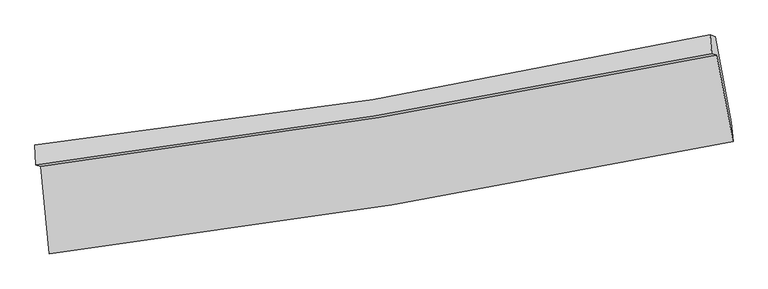
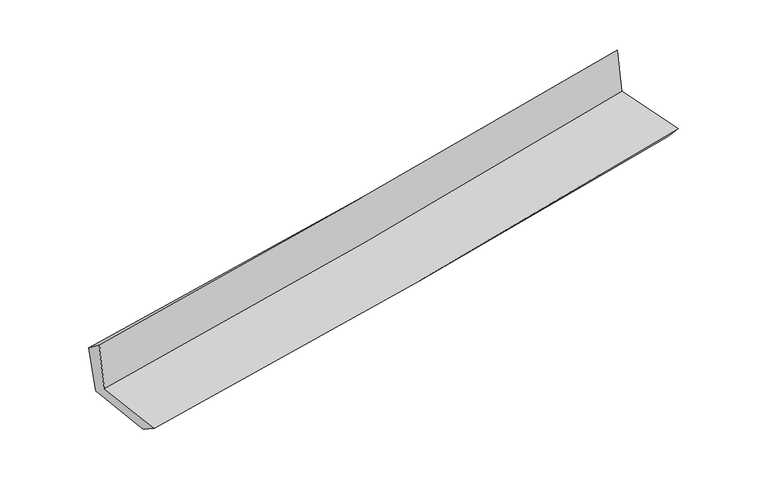
"""IFC4 building model written with IfcOpenShell, lengths in millimetres: proxy geometry."""

from ifc_helpers import new_model, si_unit, frame, origin, place, context, project, spatial, source, transform, mapped, element, save
from ifc_brep_helpers import plane_surface, spline_curve, spline_surface, advanced_brep


def generic_models_3a972e4e(model_context):
    return source(origin(), model_context, "Body", "AdvancedBrep", [
        advanced_brep(
        [(-2542.1460149, -1904.7364253, 1638.9833666), (-2477.0051776, -2555.495221, 1642.6781097), (2618.0196906, -1717.4848681, 2142.0976724), (2495.6700826, -1072.6365027, 2140.3506819), (-2580.6073399, -1894.522537, 2054.8534051), (2458.237716, -1063.7820927, 2532.0344526), (-2585.0594819, -1743.9306934, 1935.9923635), (2446.2292286, -922.0038012, 2368.4953589), (-2546.3224821, -1779.144202, 1545.0027277), (2484.2250694, -936.8610736, 1983.1327999), (-2483.5618608, -2400.0812575, 1541.8076258), (2605.7889014, -1577.5679755, 1984.8685705)],
        [
            (0, 1),
            (1, 2, spline_curve(3, [(-2477.0051776, -2555.495221, 1642.6781097), (-1623.809293979, -2453.110717863, 1735.023467106), (-773.267488094, -2332.218636788, 1822.758183066), (925.090325994, -2052.994758942, 1989.259498039), (1772.890142912, -1894.55005562, 2067.997969627), (2618.0196906, -1717.4848681, 2142.0976724)], [4, 2, 4], [0.0, 8.452507751205868, 16.930758767407532])),
            (2, 3),
            (3, 0, spline_curve(3, [(2495.6700826, -1072.6365027, 2140.3506819), (1659.269416876, -1244.240828958, 2068.289960344), (820.609311237, -1399.465218429, 1990.4066224), (-858.676421289, -1676.732538852, 1823.248878207), (-1699.288348147, -1798.874789818, 1734.009777475), (-2542.1460149, -1904.7364253, 1638.9833666)], [4, 2, 4], [0.0, 8.478251016201664, 16.930758767407532])),
            (4, 0),
            (3, 5),
            (5, 4, spline_curve(3, [(2458.237716, -1063.7820927, 2532.0344526), (1620.895494383, -1235.170819769, 2472.276038746), (781.67931901, -1390.173939174, 2402.556157928), (-897.947062505, -1666.98806559, 2243.435407009), (-1738.345905738, -1788.898427683, 2154.094938481), (-2580.6073399, -1894.522537, 2054.8534051)], [4, 2, 4], [0.0, 8.43018438990053, 16.83477146376289])),
            (6, 4),
            (5, 7),
            (7, 6, spline_curve(3, [(2446.2292286, -922.0038012, 2368.4953589), (1612.910344961, -1106.177920071, 2307.282350518), (776.334391777, -1266.827317223, 2240.570780439), (-900.781594734, -1540.660304571, 2096.369774185), (-1741.301878027, -1653.986538131, 2018.913679397), (-2585.0594819, -1743.9306934, 1935.9923635)], [4, 2, 4], [0.0, 8.419239163264908, 16.812914244453367])),
            (8, 6),
            (7, 9),
            (9, 8, spline_curve(3, [(2484.2250694, -936.8610736, 1983.1327999), (1652.464478916, -1131.085539229, 1919.085840047), (816.728438655, -1298.453984233, 1850.489098194), (-860.144850634, -1579.052184237, 1704.418153078), (-1701.257994229, -1692.444781546, 1626.971537201), (-2546.3224821, -1779.144202, 1545.0027277)], [4, 2, 4], [0.0, 8.412704700364104, 16.79986515982062])),
            (10, 8),
            (9, 11),
            (11, 10, spline_curve(3, [(2605.7889014, -1577.5679755, 1984.8685705), (1762.041921599, -1756.401026808, 1919.976706421), (915.406618846, -1914.432965265, 1850.545998459), (-781.061148767, -2188.477930416, 1702.831495247), (-1630.876100053, -2304.617086087, 1624.575221775), (-2483.5618608, -2400.0812575, 1541.8076258)], [4, 2, 4], [0.0, 8.459894310144206, 16.89410109338619])),
            (1, 10),
            (11, 2),
        ],
        [
            spline_surface(3, 3, [[(-2542.1460149, -1904.7364253, 1638.9833666), (-1699.288348241, -1798.874789949, 1734.009777601), (-858.676421396, -1676.732538739, 1823.24887819), (820.609311344, -1399.465218542, 1990.406622417), (1659.269417009, -1244.240828924, 2068.289960211), (2495.6700826, -1072.6365027, 2140.3506819)], [(-2520.432402479, -2121.656023837, 1640.214947657), (-1674.128663489, -2016.953432532, 1734.347674105), (-830.206776962, -1895.227904782, 1823.085313158), (855.436316228, -1617.308398681, 1990.024247643), (1697.142992299, -1461.010571136, 2068.192630007), (2536.453285286, -1287.585957834, 2140.933012059)], [(-2498.718790021, -2338.575622463, 1641.446528643), (-1648.968978701, -2235.032075204, 1734.685570538), (-801.737132529, -2113.723270777, 1822.921748084), (890.263321111, -1835.151578771, 1989.641872827), (1735.016567532, -1677.780313343, 2068.095299828), (2577.236487914, -1502.535412966, 2141.515342241)], [(-2477.0051776, -2555.495221, 1642.6781097), (-1623.809293948, -2453.110717788, 1735.023467042), (-773.267488095, -2332.218636821, 1822.758183051), (925.090325995, -2052.994758909, 1989.259498053), (1772.890142822, -1894.550055555, 2067.997969624), (2618.0196906, -1717.4848681, 2142.0976724)]], [4, 4], [4, 2, 4], [0.0, 2.1698168896550465], [0.0, 8.452507751205868, 16.930758767407532]),
            spline_surface(3, 3, [[(-2580.6073399, -1894.522537, 2054.8534051), (-1738.345905767, -1788.898427619, 2154.094938365), (-897.947062486, -1666.988065573, 2243.435406918), (781.679318992, -1390.173939191, 2402.556158019), (1620.895494307, -1235.170819854, 2472.276038619), (2458.237716, -1063.7820927, 2532.0344526)], [(-2567.786898225, -1897.927166434, 1916.230058912), (-1725.326719916, -1792.22388173, 2014.066551423), (-884.85684878, -1670.236223294, 2103.373230669), (794.655983119, -1393.271032308, 2265.172979479), (1633.68680186, -1238.194156217, 2337.61401248), (2470.715171519, -1066.733562706, 2401.473195697)], [(-2554.966456575, -1901.331795866, 1777.606712788), (-1712.307534092, -1795.549335838, 1874.038164544), (-871.766635103, -1673.484381018, 1963.311054439), (807.632647217, -1396.368125426, 2127.789800957), (1646.478109456, -1241.217492561, 2202.951986349), (2483.192627081, -1069.685032694, 2270.911938803)], [(-2542.1460149, -1904.7364253, 1638.9833666), (-1699.288348241, -1798.874789949, 1734.009777601), (-858.676421396, -1676.732538739, 1823.24887819), (820.609311344, -1399.465218542, 1990.406622417), (1659.269417009, -1244.240828924, 2068.289960211), (2495.6700826, -1072.6365027, 2140.3506819)]], [4, 4], [4, 2, 4], [0.0, 1.3717089466915666], [0.0, 8.404587073862361, 16.83477146376289]),
            spline_surface(3, 3, [[(-2585.0594819, -1743.9306934, 1935.9923635), (-1741.301878129, -1653.986537997, 2018.913679368), (-900.781594606, -1540.660304522, 2096.369774325), (776.334391649, -1266.827317272, 2240.570780299), (1612.910344974, -1106.177920057, 2307.282350486), (2446.2292286, -922.0038012, 2368.4953589)], [(-2583.575434574, -1794.127974599, 1975.612710712), (-1740.316554016, -1698.95716787, 2063.974099046), (-899.836750585, -1582.769558207, 2145.39165187), (778.116034077, -1307.942857913, 2294.56590622), (1615.572061438, -1149.175553319, 2362.280246555), (2450.232057753, -969.263231696, 2423.008390158)], [(-2582.091387226, -1844.325255801, 2015.233057888), (-1739.33122988, -1743.927797745, 2109.034518687), (-898.891906507, -1624.878811888, 2194.413529373), (779.897676563, -1349.05839855, 2348.561032098), (1618.233777844, -1192.173186593, 2417.27814255), (2454.234886847, -1016.522662204, 2477.521421342)], [(-2580.6073399, -1894.522537, 2054.8534051), (-1738.345905767, -1788.898427619, 2154.094938365), (-897.947062486, -1666.988065573, 2243.435406918), (781.679318992, -1390.173939191, 2402.556158019), (1620.895494307, -1235.170819854, 2472.276038619), (2458.237716, -1063.7820927, 2532.0344526)]], [4, 4], [4, 2, 4], [0.0, 0.6519310049115478], [0.0, 8.393675081188459, 16.812914244453367]),
            spline_surface(3, 3, [[(-2546.3224821, -1779.144202, 1545.0027277), (-1701.257994234, -1692.444781681, 1626.971537237), (-860.1448506, -1579.052184123, 1704.418153013), (816.728438621, -1298.453984347, 1850.489098259), (1652.46447878, -1131.085539108, 1919.085839917), (2484.2250694, -936.8610736, 1983.1327999)], [(-2559.234815361, -1767.406365824, 1675.332606294), (-1714.605955527, -1679.625367143, 1757.618917942), (-873.690431908, -1566.254890905, 1835.068693437), (803.263756325, -1287.911761971, 1980.516325593), (1639.279767489, -1122.782999428, 2048.484676779), (2471.559789111, -931.90864947, 2111.586986239)], [(-2572.147148639, -1755.668529576, 1805.662484906), (-1727.953916837, -1666.805952535, 1888.266298663), (-887.236013299, -1553.45759774, 1965.7192339), (789.799073945, -1277.369539648, 2110.543552965), (1626.095056265, -1114.480459737, 2177.883513624), (2458.894508889, -926.95622533, 2240.041172561)], [(-2585.0594819, -1743.9306934, 1935.9923635), (-1741.301878129, -1653.986537997, 2018.913679368), (-900.781594606, -1540.660304522, 2096.369774325), (776.334391649, -1266.827317272, 2240.570780299), (1612.910344974, -1106.177920057, 2307.282350486), (2446.2292286, -922.0038012, 2368.4953589)]], [4, 4], [4, 2, 4], [0.0, 1.2948232228939616], [0.0, 8.387160459456515, 16.79986515982062]),
            spline_surface(3, 3, [[(-2483.5618608, -2400.0812575, 1541.8076258), (-1630.876100009, -2304.617086017, 1624.5752217), (-781.061148753, -2188.477930477, 1702.831495301), (915.406618831, -1914.432965204, 1850.545998405), (1762.041921633, -1756.401026781, 1919.976706377), (2605.7889014, -1577.5679755, 1984.8685705)], [(-2504.482067901, -2193.102238981, 1542.872659769), (-1654.336731418, -2100.559651219, 1625.373993549), (-807.422382725, -1985.336015015, 1703.360381187), (882.513892072, -1709.106638242, 1850.527031672), (1725.516107364, -1547.962530888, 1919.679750879), (2565.267624082, -1363.999008198, 1984.289980289)], [(-2525.402274999, -1986.123220519, 1543.937693731), (-1677.797362825, -1896.502216478, 1626.172765389), (-833.783616628, -1782.194099584, 1703.889267127), (849.621165381, -1503.78031131, 1850.508064992), (1688.990293049, -1339.524035001, 1919.382795414), (2524.746346718, -1150.430040902, 1983.711390111)], [(-2546.3224821, -1779.144202, 1545.0027277), (-1701.257994234, -1692.444781681, 1626.971537237), (-860.1448506, -1579.052184123, 1704.418153013), (816.728438621, -1298.453984347, 1850.489098259), (1652.46447878, -1131.085539108, 1919.085839917), (2484.2250694, -936.8610736, 1983.1327999)]], [4, 4], [4, 2, 4], [0.0, 2.031266913921296], [0.0, 8.434206783241985, 16.89410109338619]),
            spline_surface(3, 3, [[(-2477.0051776, -2555.495221, 1642.6781097), (-1623.809293948, -2453.110717788, 1735.023467042), (-773.267488095, -2332.218636821, 1822.758183051), (925.090325995, -2052.994758909, 1989.259498053), (1772.890142822, -1894.550055555, 2067.997969624), (2618.0196906, -1717.4848681, 2142.0976724)], [(-2479.190738661, -2503.690566524, 1609.054615054), (-1626.164895963, -2403.612840555, 1698.207385249), (-775.865374977, -2284.30506805, 1782.782620477), (921.862423611, -2006.807494352, 1943.021664846), (1769.274069076, -1848.500379292, 2018.657548533), (2613.94276085, -1670.845903895, 2089.687971758)], [(-2481.376299739, -2451.885911976, 1575.431120446), (-1628.520497994, -2354.11496325, 1661.391303493), (-778.463261871, -2236.391499247, 1742.807057876), (918.634521215, -1960.620229762, 1896.783831613), (1765.657995379, -1802.450703043, 1969.317127468), (2609.86583115, -1624.206939705, 2037.278271142)], [(-2483.5618608, -2400.0812575, 1541.8076258), (-1630.876100009, -2304.617086017, 1624.5752217), (-781.061148753, -2188.477930477, 1702.831495301), (915.406618831, -1914.432965204, 1850.545998405), (1762.041921633, -1756.401026781, 1919.976706377), (2605.7889014, -1577.5679755, 1984.8685705)]], [4, 4], [4, 2, 4], [0.0, 0.6287663277293457], [0.0, 8.48873049172606, 17.00331456974374]),
            plane_surface(frame((2518.0284481, -1215.0560523, 2191.8299227), z_axis=(0.9785018580391981, 0.1858969496532329, 0.08931090596036262), x_axis=(-0.09804971018639297, 0.03833975558146346, 0.9944427170402115))),
            plane_surface(frame((-2535.7837262, -2046.3183894, 1726.5529331), z_axis=(-0.9910102515061759, -0.0997064088810554, -0.08920377479518216), x_axis=(-0.09960046781341442, 0.9950114735845538, -0.005649269549583964))),
        ],
        [
            (0, [[1, 2, 3, 4]]),
            (1, [[5, -4, 6, 7]]),
            (2, [[8, -7, 9, 10]]),
            (3, [[11, -10, 12, 13]]),
            (4, [[14, -13, 15, 16]]),
            (5, [[17, -16, 18, -2]]),
            (6, [[-12, -9, -6, -3, -18, -15]]),
            (7, [[-1, -5, -8, -11, -14, -17]]),
        ],
    ),
    ])


if __name__ == "__main__":
    model = new_model("IFC4")
    model_context = context("Model", 3, world=origin())
    ifc_project = project(units=[si_unit("LENGTHUNIT", "METRE", prefix="MILLI")], contexts=[model_context])
    site = spatial("IfcSite", under=ifc_project)
    building = spatial("IfcBuilding", under=site)
    placement = place(None, origin())
    generic_models_shape = generic_models_3a972e4e(model_context)
    element("IfcBuildingElementProxy", 1, Name="Generic Models", at=placement, inside=building, context=model_context, shape_type="MappedRepresentation", body=[
        mapped(generic_models_shape, transform((0.0, 0.0, 0.0), x_axis=(1.0, 0.0, 0.0), y_axis=(0.0, 1.0, 0.0), z_axis=(0.0, 0.0, 1.0))),
    ])
    save(model, "model.ifc")
